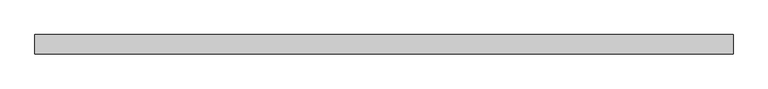
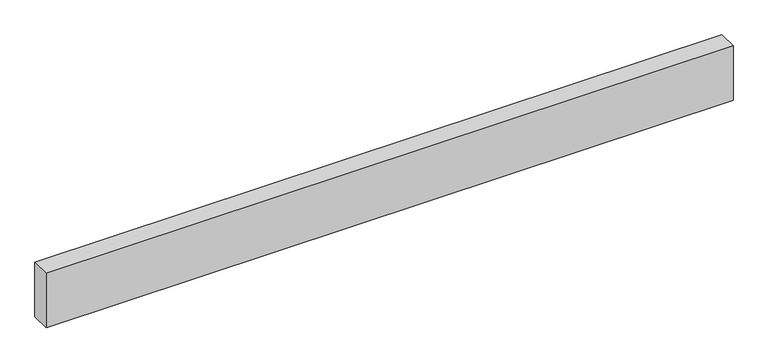
"""IFC4 building model written with IfcOpenShell, lengths in millimetres: proxy geometry."""

from ifc_helpers import new_model, si_unit, origin, origin_with_axes, place, context, project, spatial, polyline, outline, extrude, source, transform, mapped, element, save


def generic_models_52a5121b(model_context):
    return source(origin(), model_context, "Body", "SweptSolid", [
        extrude(outline(polyline([(3576.1143635, 0.0), (3576.1143635, -100.0), (0.0, -100.0), (0.0, 0.0), (3576.1143635, 0.0)])), origin_with_axes(), (0.0, 0.0, 1.0), 300.0),
    ])


if __name__ == "__main__":
    model = new_model("IFC4")
    model_context = context("Model", 3, world=origin())
    ifc_project = project(units=[si_unit("LENGTHUNIT", "METRE", prefix="MILLI")], contexts=[model_context])
    site = spatial("IfcSite", under=ifc_project)
    building = spatial("IfcBuilding", under=site)
    placement = place(None, origin())
    generic_models_shape = generic_models_52a5121b(model_context)
    element("IfcBuildingElementProxy", 1, Name="Generic Models", at=placement, inside=building, context=model_context, shape_type="MappedRepresentation", body=[
        mapped(generic_models_shape, transform((0.0, 0.0, 0.0), x_axis=(1.0, 0.0, 0.0), y_axis=(0.0, 1.0, 0.0), z_axis=(0.0, 0.0, 1.0))),
    ])
    save(model, "model.ifc")
